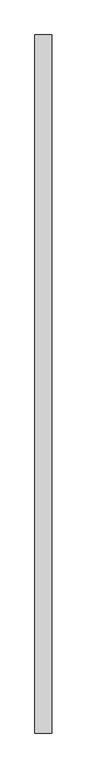
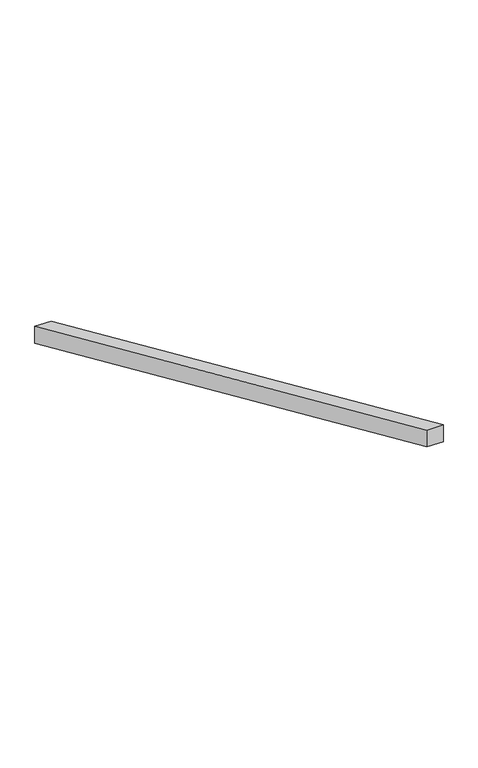
"""IFC4 building model written with IfcOpenShell, lengths in millimetres: beam geometry."""

from ifc_helpers import new_model, si_unit, frame, origin, place, context, project, spatial, polyline, outline, extrude, source, transform, mapped, element, save


def beam_7edfcda1(model_context):
    return source(origin(), model_context, "Body", "SweptSolid", [
        extrude(outline(polyline([(0.0, 1971.0818275), (4181.2629353, 109.4636279), (4181.2629353, 0.0), (0.0, 1861.6181996), (0.0, 1971.0818275)])), frame((0.0, 0.0, 0.0), z_axis=(1.0, 0.0, 0.0), x_axis=(0.0, 1.0, 0.0)), (0.0, 0.0, 1.0), 100.0),
    ])


if __name__ == "__main__":
    model = new_model("IFC4")
    model_context = context("Model", 3, world=origin())
    ifc_project = project(units=[si_unit("LENGTHUNIT", "METRE", prefix="MILLI")], contexts=[model_context])
    site = spatial("IfcSite", under=ifc_project)
    building = spatial("IfcBuilding", under=site)
    placement = place(None, origin())
    beam_shape = beam_7edfcda1(model_context)
    element("IfcBeam", 1, at=placement, inside=building, context=model_context, shape_type="MappedRepresentation", body=[
        mapped(beam_shape, transform((0.0, 0.0, 0.0), x_axis=(1.0, 0.0, 0.0), y_axis=(0.0, 1.0, 0.0), z_axis=(0.0, 0.0, 1.0))),
    ])
    save(model, "model.ifc")
